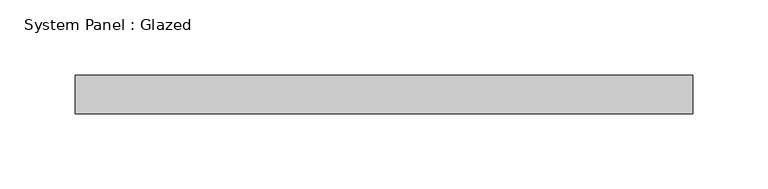
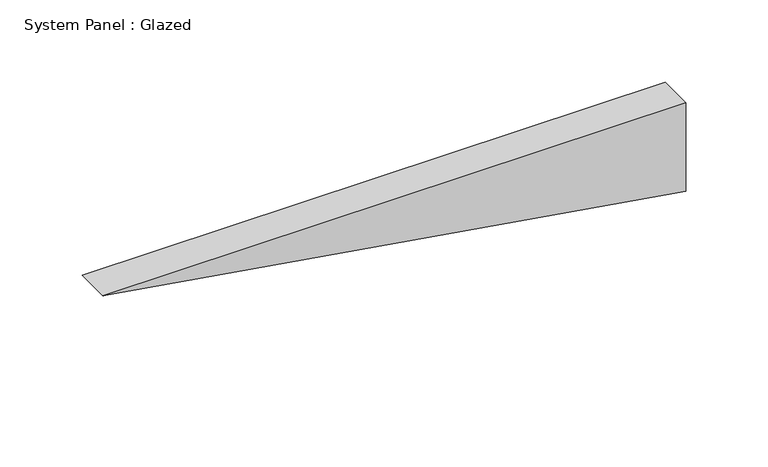
"""IFC4 building model written with IfcOpenShell, lengths in millimetres: plate geometry, System Panel : Glazed."""

from ifc_helpers import new_model, si_unit, frame, origin, place, context, project, spatial, polyline, outline, extrude, source, transform, mapped, element, save


def system_panel_glazed_345337a7(model_context):
    return source(origin(), model_context, "Body", "SweptSolid", [
        extrude(outline(polyline([(65.8597069, -204.9736525), (0.0, 204.9736525), (65.8597069, 204.9736525), (65.8597069, -204.9736525)])), frame((0.0, 19.05, 0.0), z_axis=(0.0, 1.0, 0.0), x_axis=(0.0, 0.0, 1.0)), (0.0, 0.0, 1.0), 25.4),
    ])


if __name__ == "__main__":
    model = new_model("IFC4")
    model_context = context("Model", 3, world=origin())
    ifc_project = project(units=[si_unit("LENGTHUNIT", "METRE", prefix="MILLI")], contexts=[model_context])
    site = spatial("IfcSite", under=ifc_project)
    building = spatial("IfcBuilding", under=site)
    placement = place(None, origin())
    system_panel_glazed_shape = system_panel_glazed_345337a7(model_context)
    element("IfcPlate", 1, ObjectType="System Panel : Glazed", at=placement, inside=building, context=model_context, shape_type="MappedRepresentation", body=[
        mapped(system_panel_glazed_shape, transform((0.0, 0.0, 0.0), x_axis=(1.0, 0.0, 0.0), y_axis=(0.0, 1.0, 0.0), z_axis=(0.0, 0.0, 1.0))),
    ])
    save(model, "model.ifc")
